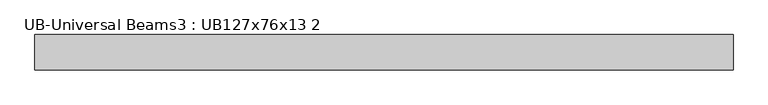
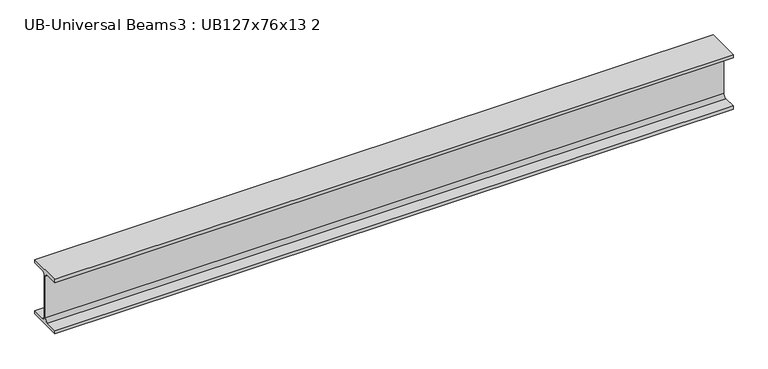
"""IFC4 building model written with IfcOpenShell, lengths in millimetres: beam geometry, UB-Universal Beams3 : UB127x76x13 2."""

import ifcopenshell
import ifcopenshell.guid

model = None  # the IFC model being written
_history = None  # IfcOwnerHistory: only IFC2X3 demands one
_inside = {}  # id of a spatial element -> (the spatial element, [elements in it])
_under = {}  # id of a project, library or spatial element -> (it, [spatial elements below it])
_declared = {}  # id of a project -> (the project, [libraries it declares])
_typed = {}  # id of a type object -> (the type object, [elements of that type])
_made_of = {}  # id of a material, layer set ... -> (it, [elements and type objects made of it])


def new_model(schema):
    """Start an empty IFC model of exactly this schema.

    Asked for "IFC4X3", IfcOpenShell would pick the latest addendum, in which some entities
    have other attributes; the version numbers below select the first issue.
    IFC2X3 requires an IfcOwnerHistory on every rooted entity: one is made here for all.
    """
    global model, _history
    if schema == "IFC4X3":
        model = ifcopenshell.file(schema_version=(4, 3, 0, 0))
    else:
        model = ifcopenshell.file(schema=schema)
    _inside.clear()
    _under.clear()
    _declared.clear()
    _typed.clear()
    _made_of.clear()
    _history = None
    if model.schema == "IFC2X3":
        org = make("IfcOrganization", Name="unknown")
        user = make(
            "IfcPersonAndOrganization",
            ThePerson=make("IfcPerson", FamilyName="unknown"),
            TheOrganization=org,
        )
        app = make(
            "IfcApplication",
            ApplicationDeveloper=org,
            Version="unknown",
            ApplicationFullName="unknown",
            ApplicationIdentifier="unknown",
        )
        _history = make(
            "IfcOwnerHistory",
            OwningUser=user,
            OwningApplication=app,
            ChangeAction="ADDED",
            CreationDate=0,
        )
    return model


def make(cls, **values):
    """One entity of the class cls with the attributes given. An attribute that is None is left unset."""
    return model.create_entity(
        cls, **{name: value for name, value in values.items() if value is not None}
    )


def rooted(cls, **values):
    """An entity with a GlobalId (a new one), such as an element, a storey or a relation."""
    return make(cls, GlobalId=ifcopenshell.guid.new(), OwnerHistory=_history, **values)


def si_unit(unit_type, name, prefix=None):
    """IfcSIUnit, for example si_unit("LENGTHUNIT", "METRE", prefix="MILLI")."""
    return make("IfcSIUnit", UnitType=unit_type, Prefix=prefix, Name=name)


def assignment(units):
    """IfcUnitAssignment: the units of a project."""
    return None if units is None else make("IfcUnitAssignment", Units=units)


def point(xyz):
    """IfcCartesianPoint."""
    return None if xyz is None else make("IfcCartesianPoint", Coordinates=xyz)


def direction(xyz):
    """IfcDirection."""
    return None if xyz is None else make("IfcDirection", DirectionRatios=xyz)


def frame(location, z_axis=None, x_axis=None):
    """IfcAxis2Placement3D, a coordinate frame: its origin and axes. An axis left out is left unset."""
    return make(
        "IfcAxis2Placement3D",
        Location=point(location),
        Axis=direction(z_axis),
        RefDirection=direction(x_axis),
    )


def frame_2d(location, x_axis=None):
    """IfcAxis2Placement2D, a coordinate frame in the plane: its origin and x axis."""
    return make(
        "IfcAxis2Placement2D", Location=point(location), RefDirection=direction(x_axis)
    )


def origin():
    """The frame at (0, 0, 0) with its axes left unset."""
    return frame((0.0, 0.0, 0.0))


def place(relative_to, where):
    """IfcLocalPlacement: puts the frame where relative to a parent placement (None: the world)."""
    return make(
        "IfcLocalPlacement", PlacementRelTo=relative_to, RelativePlacement=where
    )


def context(
    kind, dimensions, precision=None, world=None, true_north=None, identifier=None
):
    """IfcGeometricRepresentationContext, for example the 3D "Model" context."""
    return make(
        "IfcGeometricRepresentationContext",
        ContextIdentifier=identifier,
        ContextType=kind,
        CoordinateSpaceDimension=dimensions,
        Precision=precision,
        WorldCoordinateSystem=world,
        TrueNorth=true_north,
    )


def project(units=None, contexts=None):
    """IfcProject with its units and contexts."""
    return rooted(
        "IfcProject",
        Name="project",
        RepresentationContexts=contexts,
        UnitsInContext=assignment(units),
    )


def spatial(cls, under=None, at=None, **own):
    """A site, building, storey or space (cls), placed at a placement, below another one or the project."""
    s = rooted(cls, ObjectPlacement=at, **own)
    if under is not None:
        _under.setdefault(under.id(), (under, []))[1].append(s)
    return s


def polyline(points):
    """IfcPolyline through the points."""
    return make("IfcPolyline", Points=[point(p) for p in points])


def circle_curve(where, radius):
    """IfcCircle in the frame where."""
    return make("IfcCircle", Position=where, Radius=radius)


def trimmed(basis, trim1, trim2, sense, master):
    """IfcTrimmedCurve: the piece of a basis curve between two trims."""
    return make(
        "IfcTrimmedCurve",
        BasisCurve=basis,
        Trim1=trim1,
        Trim2=trim2,
        SenseAgreement=sense,
        MasterRepresentation=master,
    )


def segment(curve, same_sense, transition):
    """IfcCompositeCurveSegment."""
    return make(
        "IfcCompositeCurveSegment",
        Transition=transition,
        SameSense=same_sense,
        ParentCurve=curve,
    )


def composite_curve(segments, self_intersect=None):
    """IfcCompositeCurve: segments joined end to end."""
    return make("IfcCompositeCurve", Segments=segments, SelfIntersect=self_intersect)


def outline(outer, holes=None, kind="AREA"):
    """IfcArbitraryClosedProfileDef: a profile drawn as a closed curve; with holes, ...WithVoids."""
    if holes is None:
        return make("IfcArbitraryClosedProfileDef", ProfileType=kind, OuterCurve=outer)
    return make(
        "IfcArbitraryProfileDefWithVoids",
        ProfileType=kind,
        OuterCurve=outer,
        InnerCurves=holes,
    )


def extrude(swept, where, along, depth):
    """IfcExtrudedAreaSolid: the profile swept, set in the frame where, extruded along a direction by depth."""
    return make(
        "IfcExtrudedAreaSolid",
        SweptArea=swept,
        Position=where,
        ExtrudedDirection=direction(along),
        Depth=depth,
    )


def shape(context_of_items, identifier, shape_type, items):
    """IfcShapeRepresentation: the items that make up one representation, for example the "Body"."""
    return make(
        "IfcShapeRepresentation",
        ContextOfItems=context_of_items,
        RepresentationIdentifier=identifier,
        RepresentationType=shape_type,
        Items=items,
    )


def source(mapping_origin, context_of_items, identifier, shape_type, items):
    """IfcRepresentationMap: a shape defined once, which mapped items show again and again."""
    return make(
        "IfcRepresentationMap",
        MappingOrigin=mapping_origin,
        MappedRepresentation=shape(context_of_items, identifier, shape_type, items),
    )


def transform(
    local_origin,
    x_axis=None,
    y_axis=None,
    z_axis=None,
    scale=None,
    scale2=None,
    scale3=None,
    uniform=True,
):
    """IfcCartesianTransformationOperator3D, or its non-uniform kind. x_axis, y_axis, z_axis: its Axis1, 2, 3."""
    if uniform:
        return make(
            "IfcCartesianTransformationOperator3D",
            Axis1=direction(x_axis),
            Axis2=direction(y_axis),
            LocalOrigin=point(local_origin),
            Scale=scale,
            Axis3=direction(z_axis),
        )
    return make(
        "IfcCartesianTransformationOperator3DnonUniform",
        Axis1=direction(x_axis),
        Axis2=direction(y_axis),
        LocalOrigin=point(local_origin),
        Scale=scale,
        Axis3=direction(z_axis),
        Scale2=scale2,
        Scale3=scale3,
    )


def mapped(mapping_source, mapping_target):
    """IfcMappedItem: shows the shape of a source again, moved by a transform."""
    return make(
        "IfcMappedItem", MappingSource=mapping_source, MappingTarget=mapping_target
    )


def made_of(thing, what):
    """Note that an element or type object is made of a material, layer set ...; save() writes the relation."""
    if what is not None:
        _made_of.setdefault(what.id(), (what, []))[1].append(thing)
    return thing


def element(
    cls,
    number,
    at=None,
    inside=None,
    cuts=None,
    type_object=None,
    material=None,
    context=None,
    identifier="Body",
    shape_type=None,
    held_by="IfcProductDefinitionShape",
    body=None,
    shapes=None,
    **own,
):
    """One element of the class cls, such as IfcWall. Its Tag is "e" and its number.

    at: its placement. inside: the storey or other place that contains it. cuts: it is an
    opening in that element (IfcRelVoidsElement). A single representation is given by context,
    identifier, shape_type and body (its items); several are given by shapes. held_by: the class
    of the entity that holds the representations. save() writes the other relations.
    """
    e = rooted(cls, Tag="e%d" % number, ObjectPlacement=at, **own)
    if body is not None:
        shapes = [shape(context, identifier, shape_type, body)]
    if shapes is not None:
        e.Representation = make(held_by, Representations=shapes)
    if inside is not None:
        _inside.setdefault(inside.id(), (inside, []))[1].append(e)
    if cuts is not None:
        rooted(
            "IfcRelVoidsElement", RelatingBuildingElement=cuts, RelatedOpeningElement=e
        )
    if type_object is not None:
        _typed.setdefault(type_object.id(), (type_object, []))[1].append(e)
    return made_of(e, material)


def aggregate(whole, parts):
    """IfcRelAggregates: a whole, such as a stair, and the parts it consists of."""
    return rooted("IfcRelAggregates", RelatingObject=whole, RelatedObjects=parts)


def save(model, path):
    """Write the relations noted so far, then the file.

    IfcRelAggregates (storeys below a building ...), IfcRelContainedInSpatialStructure (elements
    in a storey), IfcRelDefinesByType, IfcRelAssociatesMaterial and IfcRelDeclares: one each for
    every whole, place, type object, material and project.
    """
    for whole, parts in _under.values():
        aggregate(whole, parts)
    for where, things in _inside.values():
        rooted(
            "IfcRelContainedInSpatialStructure",
            RelatedElements=things,
            RelatingStructure=where,
        )
    for kind, things in _typed.values():
        rooted("IfcRelDefinesByType", RelatedObjects=things, RelatingType=kind)
    for what, things in _made_of.values():
        rooted("IfcRelAssociatesMaterial", RelatedObjects=things, RelatingMaterial=what)
    for by, libraries in _declared.values():
        rooted("IfcRelDeclares", RelatingContext=by, RelatedDefinitions=libraries)
    model.write(path)


def ub_universal_beams3_ub127x76x13_2_8159aa13(model_context):
    return source(origin(), model_context, "Body", "SweptSolid", [
        extrude(outline(composite_curve([segment(polyline([(38.1, -55.9), (38.1, -63.5), (-38.1, -63.5), (-38.1, -55.9), (-9.7, -55.9)]), True, "CONTINUOUS"), segment(trimmed(circle_curve(frame_2d((-9.7, -48.3)), 7.6), [point((-9.7, -55.9))], [point((-2.1, -48.3))], True, "CARTESIAN"), True, "CONTINUOUS"), segment(polyline([(-2.1, -48.3), (-2.1, 48.3)]), True, "CONTINUOUS"), segment(trimmed(circle_curve(frame_2d((-9.7, 48.3)), 7.6), [point((-2.1, 48.3))], [point((-9.7, 55.9))], True, "CARTESIAN"), True, "CONTINUOUS"), segment(polyline([(-9.7, 55.9), (-38.1, 55.9), (-38.1, 63.5), (38.1, 63.5), (38.1, 55.9), (9.7, 55.9)]), True, "CONTINUOUS"), segment(trimmed(circle_curve(frame_2d((9.7, 48.3)), 7.6), [point((9.7, 55.9))], [point((2.1, 48.3))], True, "CARTESIAN"), True, "CONTINUOUS"), segment(polyline([(2.1, 48.3), (2.1, -48.3)]), True, "CONTINUOUS"), segment(trimmed(circle_curve(frame_2d((9.7, -48.3)), 7.6), [point((2.1, -48.3))], [point((9.7, -55.9))], True, "CARTESIAN"), True, "CONTINUOUS"), segment(polyline([(9.7, -55.9), (38.1, -55.9)]), True, "CONTINUOUS")], self_intersect=False)), frame((-747.9, 0.0, 0.0), z_axis=(1.0, 0.0, 0.0), x_axis=(0.0, 1.0, 0.0)), (0.0, 0.0, 1.0), 1495.8),
    ])


if __name__ == "__main__":
    model = new_model("IFC4")
    model_context = context("Model", 3, world=origin())
    ifc_project = project(units=[si_unit("LENGTHUNIT", "METRE", prefix="MILLI")], contexts=[model_context])
    site = spatial("IfcSite", under=ifc_project)
    building = spatial("IfcBuilding", under=site)
    placement = place(None, origin())
    ub_universal_beams3_ub127x76x13_2_shape = ub_universal_beams3_ub127x76x13_2_8159aa13(model_context)
    element("IfcBeam", 1, ObjectType="UB-Universal Beams3 : UB127x76x13 2", at=placement, inside=building, context=model_context, shape_type="MappedRepresentation", body=[
        mapped(ub_universal_beams3_ub127x76x13_2_shape, transform((0.0, 0.0, 0.0), x_axis=(1.0, 0.0, 0.0), y_axis=(0.0, 1.0, 0.0), z_axis=(0.0, 0.0, 1.0))),
    ])
    save(model, "model.ifc")
